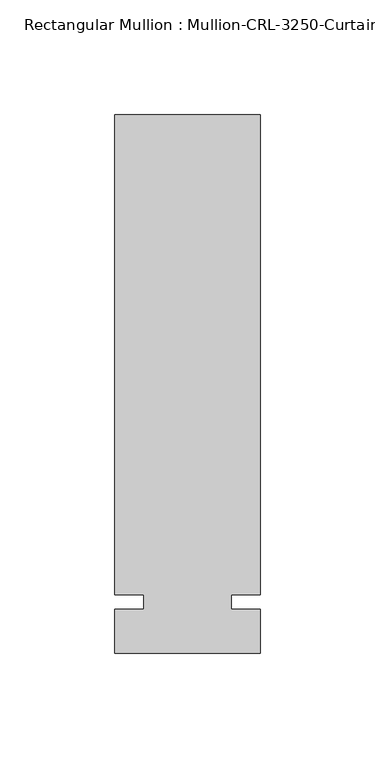
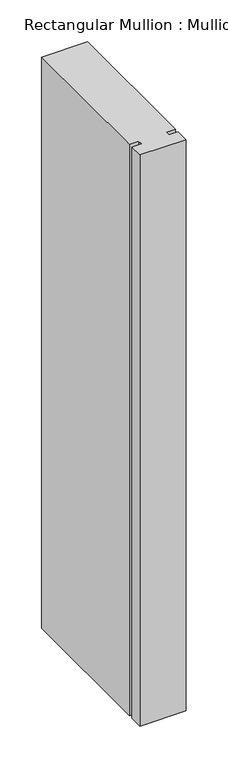
"""IFC4 building model written with IfcOpenShell, lengths in millimetres: member geometry."""

from ifc_helpers import new_model, si_unit, frame, origin, place, context, project, spatial, polyline, outline, extrude, source, transform, mapped, element, save


def member_95665578(model_context):
    return source(origin(), model_context, "Body", "SweptSolid", [
        extrude(outline(polyline([(31.7499985, -3.175), (31.7499985, -22.2254168), (-31.7499985, -22.2254168), (-31.7499985, -3.175), (-19.0499985, -3.175), (-19.0499985, 3.175), (-31.7499985, 3.175), (-31.7499985, 212.7246169), (31.7499985, 212.7246169), (31.7499985, 3.175), (19.0499985, 3.175), (19.0499985, -3.175), (31.7499985, -3.175)])), frame((0.0, 0.0, -832.2166645), z_axis=(0.0, 0.0, 1.0), x_axis=(1.0, 0.0, 0.0)), (0.0, 0.0, 1.0), 832.2166645),
    ])


if __name__ == "__main__":
    model = new_model("IFC4")
    model_context = context("Model", 3, world=origin())
    ifc_project = project(units=[si_unit("LENGTHUNIT", "METRE", prefix="MILLI")], contexts=[model_context])
    site = spatial("IfcSite", under=ifc_project)
    building = spatial("IfcBuilding", under=site)
    placement = place(None, origin())
    member_shape = member_95665578(model_context)
    element("IfcMember", 1, ObjectType="Rectangular Mullion : Mullion-CRL-3250-Curtain_Wall-Intermediate_Horizontal-8\"", at=placement, inside=building, context=model_context, shape_type="MappedRepresentation", body=[
        mapped(member_shape, transform((0.0, 0.0, 0.0), x_axis=(1.0, 0.0, 0.0), y_axis=(0.0, 1.0, 0.0), z_axis=(0.0, 0.0, 1.0))),
    ])
    save(model, "model.ifc")
